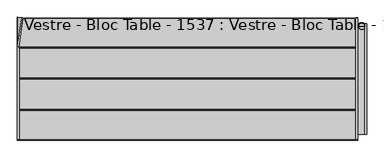
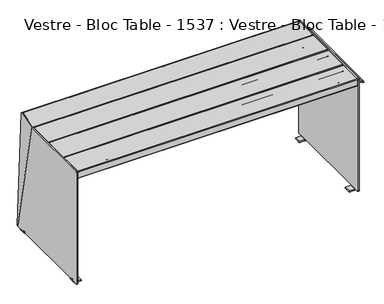
"""IFC4 building model written with IfcOpenShell, lengths in millimetres: furniture geometry, Vestre - Bloc Table - 1537 : Vestre - Bloc Table - 1537."""

from ifc_helpers import new_model, si_unit, point, frame, frame_2d, origin, place, context, project, spatial, polyline, circle_curve, ellipse_curve, trimmed, segment, composite_curve, outline, extrude, source, transform, mapped, element, save
from ifc_brep_helpers import plane_surface, cylinder_surface, revolved_surface, advanced_brep


def vestre_bloc_table_1537_vestre_bloc_table_1537_56d10f07(model_context):
    return source(origin(), model_context, "Body", "SolidModel", [
        extrude(outline(polyline([(20.5020914, -284.4050005), (-20.5020914, -284.4050005), (-20.5020914, 284.4050005), (20.5020914, 284.4050005), (20.5020914, -284.4050005)])), frame((0.0, 0.0, 689.0027779), z_axis=(0.0, 0.0, 1.0), x_axis=(1.0, 0.0, 0.0)), (0.0, 0.0, 1.0), 6.0),
        advanced_brep(
        [(914.6216008, 284.4050005, 682.0027779), (914.6216008, 284.4050005, 687.0027779), (914.6216008, -284.4050005, 687.0027779), (914.6216008, -284.4050005, 682.0027779), (914.6216008, -221.626226, 664.5853587), (914.6216008, -218.262862, 664.0027779), (914.6216008, 218.272863, 664.0027779), (914.6216008, 221.636227, 664.5853587), (908.6216008, 284.4050005, 682.0027779), (908.6216008, 221.636227, 664.5853587), (908.6216008, 218.272863, 664.0027779), (908.6216008, -218.262862, 664.0027779), (908.6216008, -221.626226, 664.5853587), (908.6216008, -284.4050005, 682.0027779), (908.6216008, -284.4050005, 687.0027779), (908.6216008, 284.4050005, 687.0027779), (906.6216008, -284.4050005, 695.0027779), (868.6216008, -284.4050005, 695.0027779), (868.6216008, -284.4050005, 689.0027779), (906.6216008, -284.4050005, 689.0027779), (906.6216008, 284.4050005, 689.0027779), (868.6216008, 284.4050005, 689.0027779), (868.6216008, 284.4050005, 695.0027779), (906.6216008, 284.4050005, 695.0027779), (860.7200941, -311.048826, 9.9972221), (860.7200941, -315.0, 13.9483962), (860.7200941, -315.0, 735.9759972), (860.7200941, -310.9759972, 740.0), (860.7200941, 311.0116049, 740.0), (860.7200941, 314.9999885, 736.0143057), (860.7200941, 315.4860483, 15.4039898), (860.7200941, 311.3305667, 9.9972221), (860.7200941, 285.0, 9.9972221), (860.7200941, 245.0, 9.9972221), (860.7200941, -245.0, 9.9972221), (860.7200941, -285.0, 9.9972221), (868.6216008, 311.3305667, 9.9972221), (868.6216008, 315.4860483, 15.4039898), (868.6216008, 314.9999885, 736.0143057), (868.6216008, 311.0116049, 740.0), (868.6216008, -310.9759972, 740.0), (868.6216008, -315.0, 735.9759972), (868.6216008, -315.0, 13.9483962), (868.6216008, -311.048826, 9.9972221), (868.6216008, -285.0, 9.9972221), (868.6216008, -245.0, 9.9972221), (868.6216008, 245.0, 9.9972221), (868.6216008, 285.0, 9.9972221), (824.181415, 285.0, 0.0), (824.181415, 285.0, 8.0), (858.5, 285.0, 8.0), (858.6243787, 285.0, 0.0), (824.181415, 245.0, 0.0), (858.6243787, 245.0, 0.0), (858.5, 245.0, 8.0), (824.181415, 245.0, 8.0), (824.181415, -285.0, 0.0), (858.6243787, -285.0, 0.0), (858.5, -285.0, 8.0), (824.181415, -285.0, 8.0), (824.181415, -245.0, 0.0), (824.181415, -245.0, 8.0), (858.5, -245.0, 8.0), (858.6243787, -245.0, 0.0)],
        [
            (0, 1),
            (1, 2),
            (2, 3),
            (3, 4),
            (4, 5, circle_curve(frame((914.6216008, -218.262862, 674.0027779), z_axis=(1.0, 0.0, 0.0), x_axis=(0.0, 1.0, 0.0)), 10.0)),
            (5, 6),
            (6, 7, circle_curve(frame((914.6216008, 218.272863, 674.0027779), z_axis=(1.0, 0.0, 0.0), x_axis=(0.0, 1.0, 0.0)), 10.0)),
            (7, 0),
            (8, 9),
            (9, 10, circle_curve(frame((908.6216008, 218.272863, 674.0027779), z_axis=(-1.0, 0.0, 0.0), x_axis=(0.0, 1.0, 0.0)), 10.0)),
            (10, 11),
            (11, 12, circle_curve(frame((908.6216008, -218.262862, 674.0027779), z_axis=(-1.0, 0.0, 0.0), x_axis=(0.0, 1.0, 0.0)), 10.0)),
            (12, 13),
            (13, 14),
            (14, 15),
            (15, 8),
            (7, 9),
            (8, 0),
            (6, 10),
            (5, 11),
            (4, 12),
            (3, 13),
            (2, 16, circle_curve(frame((906.6216008, -284.4050005, 687.0027779), z_axis=(0.0, -1.0, 0.0), x_axis=(1.0, 0.0, 0.0)), 8.0)),
            (16, 17),
            (17, 18),
            (18, 19),
            (19, 14, circle_curve(frame((906.6216008, -284.4050005, 687.0027779), z_axis=(0.0, 1.0, 0.0), x_axis=(1.0, 0.0, 0.0)), 2.0)),
            (15, 20, circle_curve(frame((906.6216008, 284.4050005, 687.0027779), z_axis=(0.0, -1.0, 0.0), x_axis=(1.0, 0.0, 0.0)), 2.0)),
            (20, 21),
            (21, 22),
            (22, 23),
            (23, 1, circle_curve(frame((906.6216008, 284.4050005, 687.0027779), z_axis=(0.0, 1.0, 0.0), x_axis=(1.0, 0.0, 0.0)), 8.0)),
            (19, 20),
            (23, 16),
            (22, 17),
            (18, 21),
            (24, 25, circle_curve(frame((860.7200941, -311.048826, 13.9483962), z_axis=(-1.0, 0.0, 0.0), x_axis=(0.0, -1.0, 0.0)), 3.951174)),
            (25, 26),
            (26, 27, circle_curve(frame((860.7200941, -310.9759972, 735.9759972), z_axis=(-1.0, 0.0, 0.0), x_axis=(0.0, -1.0, 0.0)), 4.0240028)),
            (27, 28),
            (28, 29, circle_curve(frame((860.7200941, 311.0116049, 736.0116155), z_axis=(-1.0, 0.0, 0.0), x_axis=(0.0, -1.0, 0.0)), 3.9883845)),
            (29, 30),
            (30, 31, circle_curve(frame((860.7200941, 309.8957951, 15.4002191), z_axis=(-1.0, 0.0, 0.0), x_axis=(0.0, -1.0, 0.0)), 5.5902545)),
            (31, 32),
            (32, 33),
            (33, 34),
            (34, 35),
            (35, 24),
            (36, 37, circle_curve(frame((868.6216008, 309.8957951, 15.4002191), z_axis=(1.0, 0.0, 0.0), x_axis=(0.0, -1.0, 0.0)), 5.5902545)),
            (37, 38),
            (38, 39, circle_curve(frame((868.6216008, 311.0116049, 736.0116155), z_axis=(1.0, 0.0, 0.0), x_axis=(0.0, -1.0, 0.0)), 3.9883845)),
            (39, 40),
            (40, 41, circle_curve(frame((868.6216008, -310.9759972, 735.9759972), z_axis=(1.0, 0.0, 0.0), x_axis=(0.0, -1.0, 0.0)), 4.0240028)),
            (41, 42),
            (42, 43, circle_curve(frame((868.6216008, -311.048826, 13.9483962), z_axis=(1.0, 0.0, 0.0), x_axis=(0.0, -1.0, 0.0)), 3.951174)),
            (43, 44),
            (44, 45),
            (45, 46),
            (46, 47),
            (47, 36),
            (24, 43),
            (42, 25),
            (41, 26),
            (40, 27),
            (39, 28),
            (38, 29),
            (37, 30),
            (36, 31),
            (35, 44),
            (47, 32),
            (33, 46),
            (45, 34),
            (48, 49),
            (49, 50),
            (50, 32, circle_curve(frame((858.5, 285.0, 10.2325293), z_axis=(0.0, -1.0, 0.0), x_axis=(-1.0, 0.0, 0.0)), 2.2325293)),
            (47, 51, circle_curve(frame((858.6243787, 285.0, 9.9972221), z_axis=(0.0, 1.0, 0.0), x_axis=(-1.0, 0.0, 0.0)), 9.9972221)),
            (51, 48),
            (52, 53),
            (53, 46, circle_curve(frame((858.6243787, 245.0, 9.9972221), z_axis=(0.0, -1.0, 0.0), x_axis=(-1.0, 0.0, 0.0)), 9.9972221)),
            (33, 54, circle_curve(frame((858.5, 245.0, 10.2325293), z_axis=(0.0, 1.0, 0.0), x_axis=(-1.0, 0.0, 0.0)), 2.2325293)),
            (54, 55),
            (55, 52),
            (48, 52),
            (55, 49),
            (54, 50),
            (51, 53),
            (56, 57),
            (57, 44, circle_curve(frame((858.6243787, -285.0, 9.9972221), z_axis=(0.0, -1.0, 0.0), x_axis=(-1.0, 0.0, 0.0)), 9.9972221)),
            (35, 58, circle_curve(frame((858.5, -285.0, 10.2325293), z_axis=(0.0, 1.0, 0.0), x_axis=(-1.0, 0.0, 0.0)), 2.2325293)),
            (58, 59),
            (59, 56),
            (60, 61),
            (61, 62),
            (62, 34, circle_curve(frame((858.5, -245.0, 10.2325293), z_axis=(0.0, -1.0, 0.0), x_axis=(-1.0, 0.0, 0.0)), 2.2325293)),
            (45, 63, circle_curve(frame((858.6243787, -245.0, 9.9972221), z_axis=(0.0, 1.0, 0.0), x_axis=(-1.0, 0.0, 0.0)), 9.9972221)),
            (63, 60),
            (59, 61),
            (60, 56),
            (58, 62),
            (63, 57),
        ],
        [
            plane_surface(frame((914.6216008, 284.4050005, 687.0027779), z_axis=(1.0, 0.0, 0.0), x_axis=(0.0, 0.0, 1.0))),
            plane_surface(frame((908.6216008, 284.4050005, 687.0027779), z_axis=(-1.0, 0.0, 0.0), x_axis=(0.0, 0.0, -1.0))),
            plane_surface(frame((914.6216008, 221.636227, 664.5853587), z_axis=(0.0, 0.26738231551867175, -0.9635905236914036), x_axis=(-1.0, 0.0, 0.0))),
            cylinder_surface(frame((908.6216008, 218.272863, 674.0027779), z_axis=(1.0, 0.0, 0.0), x_axis=(0.0, 1.0, 0.0)), 10.0),
            plane_surface(frame((914.6216008, -218.262862, 664.0027779), z_axis=(0.0, 0.0, -1.0), x_axis=(-1.0, 0.0, 0.0))),
            cylinder_surface(frame((908.6216008, -218.262862, 674.0027779), z_axis=(1.0, 0.0, 0.0), x_axis=(0.0, 1.0, 0.0)), 10.0),
            plane_surface(frame((914.6216008, -284.4050005, 682.0027779), z_axis=(0.0, -0.2673427646759247, -0.9636014975992063), x_axis=(-1.0, 0.0, 0.0))),
            plane_surface(frame((914.6216008, -284.4050005, 687.0027779), z_axis=(0.0, -1.0, 0.0), x_axis=(-1.0, 0.0, 0.0))),
            plane_surface(frame((914.6216008, 284.4050005, 682.0027779), z_axis=(0.0, 1.0, 0.0), x_axis=(-1.0, 0.0, 0.0))),
            revolved_surface(polyline([(908.6216008, -284.4050005, 687.0027779), (908.6216008, 284.4050005, 687.0027779)]), (906.6216008, -284.4050005, 687.0027779), (0.0, -1.0, 0.0)),
            cylinder_surface(frame((906.6216008, -284.4050005, 687.0027779), z_axis=(0.0, 1.0, 0.0), x_axis=(1.0, 0.0, 0.0)), 8.0),
            plane_surface(frame((868.6216008, 284.4050005, 695.0027779), z_axis=(0.0, 0.0, 1.0), x_axis=(0.0, -1.0, 0.0))),
            plane_surface(frame((906.6216008, 284.4050005, 689.0027779), z_axis=(0.0, 0.0, -1.0), x_axis=(0.0, -1.0, 0.0))),
            plane_surface(frame((860.7200941, -315.0, 13.9483962), z_axis=(-1.0, 0.0, 0.0), x_axis=(0.0, 0.0, 1.0))),
            plane_surface(frame((868.6216008, -315.0, 13.9483962), z_axis=(1.0, 0.0, 0.0), x_axis=(0.0, 0.0, -1.0))),
            cylinder_surface(frame((868.6216008, -311.048826, 13.9483962), z_axis=(-1.0, 0.0, 0.0), x_axis=(0.0, -1.0, 0.0)), 3.951174),
            plane_surface(frame((860.7200941, -315.0, 13.9483962), z_axis=(0.0, -1.0, 0.0), x_axis=(1.0, 0.0, 0.0))),
            cylinder_surface(frame((868.6216008, -310.9759972, 735.9759972), z_axis=(-1.0, 0.0, 0.0), x_axis=(0.0, -1.0, 0.0)), 4.0240028),
            plane_surface(frame((860.7200941, -310.9759972, 740.0), z_axis=(0.0, 0.0, 1.0), x_axis=(1.0, 0.0, 0.0))),
            cylinder_surface(frame((868.6216008, 311.0116049, 736.0116155), z_axis=(-1.0, 0.0, 0.0), x_axis=(0.0, -1.0, 0.0)), 3.9883845),
            plane_surface(frame((860.7200941, 314.9999885, 736.0143057), z_axis=(0.0, 0.9999997725173004, 0.0006745111915716679), x_axis=(1.0, 0.0, 0.0))),
            cylinder_surface(frame((868.6216008, 309.8957951, 15.4002191), z_axis=(-1.0, 0.0, 0.0), x_axis=(0.0, -1.0, 0.0)), 5.5902545),
            plane_surface(frame((860.7200941, 311.3305667, 9.9972221), z_axis=(0.0, 0.0, -1.0), x_axis=(1.0, 0.0, 0.0))),
            plane_surface(frame((824.181415, 285.0, 0.0), z_axis=(0.0, 1.0, 0.0), x_axis=(0.0, 0.0, 1.0))),
            plane_surface(frame((824.181415, 245.0, 0.0), z_axis=(0.0, -1.0, 0.0), x_axis=(0.0, 0.0, -1.0))),
            plane_surface(frame((824.181415, 285.0, 0.0), z_axis=(-1.0, 0.0, 0.0), x_axis=(0.0, -1.0, 0.0))),
            plane_surface(frame((824.181415, 285.0, 8.0), z_axis=(0.0, 0.0, 1.0), x_axis=(0.0, -1.0, 0.0))),
            plane_surface(frame((858.6243787, 285.0, 0.0), z_axis=(0.0, 0.0, -1.0), x_axis=(0.0, -1.0, 0.0))),
            revolved_surface(polyline([(856.2674707, 245.0, 10.2325293), (856.2674707, 285.0, 10.2325293)]), (858.5, 245.0, 10.2325293), (0.0, -1.0, 0.0)),
            cylinder_surface(frame((858.6243787, 245.0, 9.9972221), z_axis=(0.0, 1.0, 0.0), x_axis=(-1.0, 0.0, 0.0)), 9.9972221),
            plane_surface(frame((858.5, -285.0, 0.0), z_axis=(0.0, -1.0, 0.0), x_axis=(1.0, 0.0, 0.0))),
            plane_surface(frame((858.5, -245.0, 0.0), z_axis=(0.0, 1.0, 0.0), x_axis=(-1.0, 0.0, 0.0))),
            plane_surface(frame((824.181415, -285.0, 8.0), z_axis=(-1.0, 0.0, 0.0), x_axis=(0.0, 1.0, 0.0))),
            plane_surface(frame((858.5, -285.0, 8.0), z_axis=(0.0, 0.0, 1.0), x_axis=(0.0, 1.0, 0.0))),
            plane_surface(frame((824.181415, -285.0, 0.0), z_axis=(0.0, 0.0, -1.0), x_axis=(0.0, 1.0, 0.0))),
            revolved_surface(polyline([(856.2674707, -245.0, 10.2325293), (856.2674707, -285.0, 10.2325293)]), (858.5, -245.0, 10.2325293), (0.0, 1.0, 0.0)),
            cylinder_surface(frame((858.6243787, -245.0, 9.9972221), z_axis=(0.0, -1.0, 0.0), x_axis=(-1.0, 0.0, 0.0)), 9.9972221),
        ],
        [
            (0, [[1, 2, 3, 4, 5, 6, 7, 8]]),
            (1, [[9, 10, 11, 12, 13, 14, 15, 16]]),
            (2, [[-8, 17, -9, 18]]),
            (3, [[-7, 19, -10, -17]]),
            (4, [[-6, 20, -11, -19]]),
            (5, [[-5, 21, -12, -20]]),
            (6, [[-4, 22, -13, -21]]),
            (7, [[-3, 23, 24, 25, 26, 27, -14, -22]]),
            (8, [[-1, -18, -16, 28, 29, 30, 31, 32]]),
            (9, [[-28, -15, -27, 33]]),
            (10, [[-32, 34, -23, -2]]),
            (11, [[-31, 35, -24, -34]]),
            (12, [[-29, -33, -26, 36]]),
            (13, [[37, 38, 39, 40, 41, 42, 43, 44, 45, 46, 47, 48]]),
            (14, [[49, 50, 51, 52, 53, 54, 55, 56, 57, 58, 59, 60], [-25, -35, -30, -36]]),
            (15, [[-37, 61, -55, 62]]),
            (16, [[-38, -62, -54, 63]]),
            (17, [[-39, -63, -53, 64]]),
            (18, [[-40, -64, -52, 65]]),
            (19, [[-41, -65, -51, 66]]),
            (20, [[-42, -66, -50, 67]]),
            (21, [[-43, -67, -49, 68]]),
            (22, [[-61, -48, 69, -56]]),
            (22, [[-68, -60, 70, -44]]),
            (22, [[71, -58, 72, -46]]),
            (23, [[73, 74, 75, -70, 76, 77]]),
            (24, [[78, 79, -71, 80, 81, 82]]),
            (25, [[-73, 83, -82, 84]]),
            (26, [[-74, -84, -81, 85]]),
            (27, [[-77, 86, -78, -83]]),
            (28, [[-75, -85, -80, -45]]),
            (29, [[-76, -59, -79, -86]]),
            (30, [[87, 88, -69, 89, 90, 91]]),
            (31, [[92, 93, 94, -72, 95, 96]]),
            (32, [[-91, 97, -92, 98]]),
            (33, [[-90, 99, -93, -97]]),
            (34, [[-87, -98, -96, 100]]),
            (35, [[-89, -47, -94, -99]]),
            (36, [[-88, -100, -95, -57]]),
        ],
    ),
        advanced_brep(
        [(814.0, 284.4050005, 682.0027779), (814.0, 221.636227, 664.5853587), (814.0, 218.272863, 664.0027779), (814.0, -218.262862, 664.0027779), (814.0, -221.626226, 664.5853587), (814.0, -284.4050005, 682.0027779), (814.0, -284.4050005, 687.0027779), (814.0, 284.4050005, 687.0027779), (820.0, 284.4050005, 682.0027779), (820.0, 284.4050005, 687.0027779), (820.0, -284.4050005, 687.0027779), (820.0, -284.4050005, 682.0027779), (820.0, -221.626226, 664.5853587), (820.0, -218.262862, 664.0027779), (820.0, 218.272863, 664.0027779), (820.0, 221.636227, 664.5853587), (822.0, -284.4050005, 689.0027779), (860.0, -284.4050005, 689.0027779), (860.0, -284.4050005, 695.0027779), (822.0, -284.4050005, 695.0027779), (822.0, 284.4050005, 695.0027779), (860.0, 284.4050005, 695.0027779), (860.0, 284.4050005, 689.0027779), (822.0, 284.4050005, 689.0027779)],
        [
            (0, 1),
            (1, 2, circle_curve(frame((814.0, 218.272863, 674.0027779), z_axis=(-1.0, 0.0, 0.0), x_axis=(0.0, 1.0, 0.0)), 10.0)),
            (2, 3),
            (3, 4, circle_curve(frame((814.0, -218.262862, 674.0027779), z_axis=(-1.0, 0.0, 0.0), x_axis=(0.0, 1.0, 0.0)), 10.0)),
            (4, 5),
            (5, 6),
            (6, 7),
            (7, 0),
            (8, 9),
            (9, 10),
            (10, 11),
            (11, 12),
            (12, 13, circle_curve(frame((820.0, -218.262862, 674.0027779), z_axis=(1.0, 0.0, 0.0), x_axis=(0.0, 1.0, 0.0)), 10.0)),
            (13, 14),
            (14, 15, circle_curve(frame((820.0, 218.272863, 674.0027779), z_axis=(1.0, 0.0, 0.0), x_axis=(0.0, 1.0, 0.0)), 10.0)),
            (15, 8),
            (0, 8),
            (15, 1),
            (14, 2),
            (13, 3),
            (12, 4),
            (11, 5),
            (10, 16, circle_curve(frame((822.0, -284.4050005, 687.0027779), z_axis=(0.0, 1.0, 0.0), x_axis=(-1.0, 0.0, 0.0)), 2.0)),
            (16, 17),
            (17, 18),
            (18, 19),
            (19, 6, circle_curve(frame((822.0, -284.4050005, 687.0027779), z_axis=(0.0, -1.0, 0.0), x_axis=(-1.0, 0.0, 0.0)), 8.0)),
            (7, 20, circle_curve(frame((822.0, 284.4050005, 687.0027779), z_axis=(0.0, 1.0, 0.0), x_axis=(-1.0, 0.0, 0.0)), 8.0)),
            (20, 21),
            (21, 22),
            (22, 23),
            (23, 9, circle_curve(frame((822.0, 284.4050005, 687.0027779), z_axis=(0.0, -1.0, 0.0), x_axis=(-1.0, 0.0, 0.0)), 2.0)),
            (23, 16),
            (19, 20),
            (18, 21),
            (17, 22),
        ],
        [
            plane_surface(frame((814.0, 221.636227, 664.5853587), z_axis=(-1.0, 0.0, 0.0), x_axis=(0.0, -0.9635905236914036, -0.26738231551867175))),
            plane_surface(frame((820.0, 221.636227, 664.5853587), z_axis=(1.0, 0.0, 0.0), x_axis=(0.0, 0.9635905236914036, 0.26738231551867175))),
            plane_surface(frame((814.0, 284.4050005, 682.0027779), z_axis=(0.0, 0.26738231551867175, -0.9635905236914036), x_axis=(1.0, 0.0, 0.0))),
            cylinder_surface(frame((820.0, 218.272863, 674.0027779), z_axis=(-1.0, 0.0, 0.0), x_axis=(0.0, 1.0, 0.0)), 10.0),
            plane_surface(frame((814.0, 218.272863, 664.0027779), z_axis=(0.0, 0.0, -1.0), x_axis=(1.0, 0.0, 0.0))),
            cylinder_surface(frame((820.0, -218.262862, 674.0027779), z_axis=(-1.0, 0.0, 0.0), x_axis=(0.0, 1.0, 0.0)), 10.0),
            plane_surface(frame((814.0, -221.626226, 664.5853587), z_axis=(0.0, -0.2673427646759247, -0.9636014975992063), x_axis=(1.0, 0.0, 0.0))),
            plane_surface(frame((814.0, -284.4050005, 682.0027779), z_axis=(0.0, -1.0, 0.0), x_axis=(1.0, 0.0, 0.0))),
            plane_surface(frame((814.0, 284.4050005, 687.0027779), z_axis=(0.0, 1.0, 0.0), x_axis=(1.0, 0.0, 0.0))),
            revolved_surface(polyline([(820.0, -284.4050005, 687.0027779), (820.0, 284.4050005, 687.0027779)]), (822.0, -284.4050005, 687.0027779), (0.0, -1.0, 0.0)),
            cylinder_surface(frame((822.0, -284.4050005, 687.0027779), z_axis=(0.0, 1.0, 0.0), x_axis=(-1.0, 0.0, 0.0)), 8.0),
            plane_surface(frame((822.0, 284.4050005, 695.0027779), z_axis=(0.0, 0.0, 1.0), x_axis=(0.0, -1.0, 0.0))),
            plane_surface(frame((860.0, 284.4050005, 695.0027779), z_axis=(1.0, 0.0, 0.0), x_axis=(0.0, -1.0, 0.0))),
            plane_surface(frame((860.0, 284.4050005, 689.0027779), z_axis=(0.0, 0.0, -1.0), x_axis=(0.0, -1.0, 0.0))),
        ],
        [
            (0, [[1, 2, 3, 4, 5, 6, 7, 8]]),
            (1, [[9, 10, 11, 12, 13, 14, 15, 16]]),
            (2, [[-1, 17, -16, 18]]),
            (3, [[-2, -18, -15, 19]]),
            (4, [[-3, -19, -14, 20]]),
            (5, [[-4, -20, -13, 21]]),
            (6, [[-5, -21, -12, 22]]),
            (7, [[-6, -22, -11, 23, 24, 25, 26, 27]]),
            (8, [[-8, 28, 29, 30, 31, 32, -9, -17]]),
            (9, [[-32, 33, -23, -10]]),
            (10, [[-28, -7, -27, 34]]),
            (11, [[-29, -34, -26, 35]]),
            (12, [[-30, -35, -25, 36]]),
            (13, [[-31, -36, -24, -33]]),
        ],
    ),
        advanced_brep(
        [(806.0, 284.4050005, 689.0027779), (768.0, 284.4050005, 689.0027779), (768.0, 284.4050005, 695.0027779), (806.0, 284.4050005, 695.0027779), (814.0, 284.4050005, 687.0027779), (814.0, 284.4050005, 682.0027779), (808.0, 284.4050005, 682.0027779), (808.0, 284.4050005, 687.0027779), (806.0, -284.4050005, 689.0027779), (808.0, -284.4050005, 687.0027779), (808.0, -284.4050005, 682.0027779), (814.0, -284.4050005, 682.0027779), (814.0, -284.4050005, 687.0027779), (806.0, -284.4050005, 695.0027779), (768.0, -284.4050005, 695.0027779), (768.0, -284.4050005, 689.0027779), (814.0, -221.626226, 664.5853587), (814.0, -218.262862, 664.0027779), (814.0, 218.272863, 664.0027779), (814.0, 221.636227, 664.5853587), (808.0, 221.636227, 664.5853587), (808.0, 218.272863, 664.0027779), (808.0, -218.262862, 664.0027779), (808.0, -221.626226, 664.5853587)],
        [
            (0, 1),
            (1, 2),
            (2, 3),
            (3, 4, circle_curve(frame((806.0, 284.4050005, 687.0027779), z_axis=(0.0, 1.0, 0.0), x_axis=(1.0, 0.0, 0.0)), 8.0)),
            (4, 5),
            (5, 6),
            (6, 7),
            (7, 0, circle_curve(frame((806.0, 284.4050005, 687.0027779), z_axis=(0.0, -1.0, 0.0), x_axis=(1.0, 0.0, 0.0)), 2.0)),
            (8, 9, circle_curve(frame((806.0, -284.4050005, 687.0027779), z_axis=(0.0, 1.0, 0.0), x_axis=(1.0, 0.0, 0.0)), 2.0)),
            (9, 10),
            (10, 11),
            (11, 12),
            (12, 13, circle_curve(frame((806.0, -284.4050005, 687.0027779), z_axis=(0.0, -1.0, 0.0), x_axis=(1.0, 0.0, 0.0)), 8.0)),
            (13, 14),
            (14, 15),
            (15, 8),
            (7, 9),
            (8, 0),
            (3, 13),
            (12, 4),
            (2, 14),
            (1, 15),
            (11, 16),
            (16, 17, circle_curve(frame((814.0, -218.262862, 674.0027779), z_axis=(1.0, 0.0, 0.0), x_axis=(0.0, 1.0, 0.0)), 10.0)),
            (17, 18),
            (18, 19, circle_curve(frame((814.0, 218.272863, 674.0027779), z_axis=(1.0, 0.0, 0.0), x_axis=(0.0, 1.0, 0.0)), 10.0)),
            (19, 5),
            (6, 20),
            (20, 21, circle_curve(frame((808.0, 218.272863, 674.0027779), z_axis=(-1.0, 0.0, 0.0), x_axis=(0.0, 1.0, 0.0)), 10.0)),
            (21, 22),
            (22, 23, circle_curve(frame((808.0, -218.262862, 674.0027779), z_axis=(-1.0, 0.0, 0.0), x_axis=(0.0, 1.0, 0.0)), 10.0)),
            (23, 10),
            (19, 20),
            (18, 21),
            (17, 22),
            (16, 23),
        ],
        [
            plane_surface(frame((768.0, 284.4050005, 689.0027779), z_axis=(0.0, 1.0, 0.0), x_axis=(-1.0, 0.0, 0.0))),
            plane_surface(frame((768.0, -284.4050005, 689.0027779), z_axis=(0.0, -1.0, 0.0), x_axis=(1.0, 0.0, 0.0))),
            revolved_surface(polyline([(808.0, -284.4050005, 687.0027779), (808.0, 284.4050005, 687.0027779)]), (806.0, -284.4050005, 687.0027779), (0.0, -1.0, 0.0)),
            cylinder_surface(frame((806.0, -284.4050005, 687.0027779), z_axis=(0.0, 1.0, 0.0), x_axis=(1.0, 0.0, 0.0)), 8.0),
            plane_surface(frame((768.0, 284.4050005, 695.0027779), z_axis=(0.0, 0.0, 1.0), x_axis=(0.0, -1.0, 0.0))),
            plane_surface(frame((768.0, 284.4050005, 689.0027779), z_axis=(-1.0, 0.0, 0.0), x_axis=(0.0, -1.0, 0.0))),
            plane_surface(frame((806.0, 284.4050005, 689.0027779), z_axis=(0.0, 0.0, -1.0), x_axis=(0.0, -1.0, 0.0))),
            plane_surface(frame((814.0, 284.4050005, 687.0027779), z_axis=(1.0, 0.0, 0.0), x_axis=(0.0, 0.0, 1.0))),
            plane_surface(frame((808.0, 284.4050005, 687.0027779), z_axis=(-1.0, 0.0, 0.0), x_axis=(0.0, 0.0, -1.0))),
            plane_surface(frame((814.0, 221.636227, 664.5853587), z_axis=(0.0, 0.26738231551867175, -0.9635905236914036), x_axis=(-1.0, 0.0, 0.0))),
            cylinder_surface(frame((808.0, 218.272863, 674.0027779), z_axis=(1.0, 0.0, 0.0), x_axis=(0.0, 1.0, 0.0)), 10.0),
            plane_surface(frame((814.0, -218.262862, 664.0027779), z_axis=(0.0, 0.0, -1.0), x_axis=(-1.0, 0.0, 0.0))),
            cylinder_surface(frame((808.0, -218.262862, 674.0027779), z_axis=(1.0, 0.0, 0.0), x_axis=(0.0, 1.0, 0.0)), 10.0),
            plane_surface(frame((814.0, -284.4050005, 682.0027779), z_axis=(0.0, -0.2673427646759247, -0.9636014975992063), x_axis=(-1.0, 0.0, 0.0))),
        ],
        [
            (0, [[1, 2, 3, 4, 5, 6, 7, 8]]),
            (1, [[9, 10, 11, 12, 13, 14, 15, 16]]),
            (2, [[-8, 17, -9, 18]]),
            (3, [[-4, 19, -13, 20]]),
            (4, [[-3, 21, -14, -19]]),
            (5, [[-2, 22, -15, -21]]),
            (6, [[-1, -18, -16, -22]]),
            (7, [[-5, -20, -12, 23, 24, 25, 26, 27]]),
            (8, [[28, 29, 30, 31, 32, -10, -17, -7]]),
            (9, [[-27, 33, -28, -6]]),
            (10, [[-26, 34, -29, -33]]),
            (11, [[-25, 35, -30, -34]]),
            (12, [[-24, 36, -31, -35]]),
            (13, [[-23, -11, -32, -36]]),
        ],
    ),
        advanced_brep(
        [(-814.0, 284.4050005, 682.0027779), (-814.0, 221.636227, 664.5853587), (-814.0, 218.272863, 664.0027779), (-814.0, -218.262862, 664.0027779), (-814.0, -221.626226, 664.5853587), (-814.0, -284.4050005, 682.0027779), (-814.0, -284.4050005, 687.0027779), (-814.0, 284.4050005, 687.0027779), (-808.0, 284.4050005, 682.0027779), (-808.0, 284.4050005, 687.0027779), (-808.0, -284.4050005, 687.0027779), (-808.0, -284.4050005, 682.0027779), (-808.0, -221.626226, 664.5853587), (-808.0, -218.262862, 664.0027779), (-808.0, 218.272863, 664.0027779), (-808.0, 221.636227, 664.5853587), (-806.0, -284.4050005, 689.0027779), (-768.0, -284.4050005, 689.0027779), (-768.0, -284.4050005, 695.0027779), (-806.0, -284.4050005, 695.0027779), (-806.0, 284.4050005, 695.0027779), (-768.0, 284.4050005, 695.0027779), (-768.0, 284.4050005, 689.0027779), (-806.0, 284.4050005, 689.0027779)],
        [
            (0, 1),
            (1, 2, circle_curve(frame((-814.0, 218.272863, 674.0027779), z_axis=(-1.0, 0.0, 0.0), x_axis=(0.0, 1.0, 0.0)), 10.0)),
            (2, 3),
            (3, 4, circle_curve(frame((-814.0, -218.262862, 674.0027779), z_axis=(-1.0, 0.0, 0.0), x_axis=(0.0, 1.0, 0.0)), 10.0)),
            (4, 5),
            (5, 6),
            (6, 7),
            (7, 0),
            (8, 9),
            (9, 10),
            (10, 11),
            (11, 12),
            (12, 13, circle_curve(frame((-808.0, -218.262862, 674.0027779), z_axis=(1.0, 0.0, 0.0), x_axis=(0.0, 1.0, 0.0)), 10.0)),
            (13, 14),
            (14, 15, circle_curve(frame((-808.0, 218.272863, 674.0027779), z_axis=(1.0, 0.0, 0.0), x_axis=(0.0, 1.0, 0.0)), 10.0)),
            (15, 8),
            (0, 8),
            (15, 1),
            (14, 2),
            (13, 3),
            (12, 4),
            (11, 5),
            (10, 16, circle_curve(frame((-806.0, -284.4050005, 687.0027779), z_axis=(0.0, 1.0, 0.0), x_axis=(-1.0, 0.0, 0.0)), 2.0)),
            (16, 17),
            (17, 18),
            (18, 19),
            (19, 6, circle_curve(frame((-806.0, -284.4050005, 687.0027779), z_axis=(0.0, -1.0, 0.0), x_axis=(-1.0, 0.0, 0.0)), 8.0)),
            (7, 20, circle_curve(frame((-806.0, 284.4050005, 687.0027779), z_axis=(0.0, 1.0, 0.0), x_axis=(-1.0, 0.0, 0.0)), 8.0)),
            (20, 21),
            (21, 22),
            (22, 23),
            (23, 9, circle_curve(frame((-806.0, 284.4050005, 687.0027779), z_axis=(0.0, -1.0, 0.0), x_axis=(-1.0, 0.0, 0.0)), 2.0)),
            (23, 16),
            (19, 20),
            (18, 21),
            (17, 22),
        ],
        [
            plane_surface(frame((-814.0, 221.636227, 664.5853587), z_axis=(-1.0, 0.0, 0.0), x_axis=(0.0, -0.9635905236914036, -0.26738231551867175))),
            plane_surface(frame((-808.0, 221.636227, 664.5853587), z_axis=(1.0, 0.0, 0.0), x_axis=(0.0, 0.9635905236914036, 0.26738231551867175))),
            plane_surface(frame((-814.0, 284.4050005, 682.0027779), z_axis=(0.0, 0.26738231551867175, -0.9635905236914036), x_axis=(1.0, 0.0, 0.0))),
            cylinder_surface(frame((-808.0, 218.272863, 674.0027779), z_axis=(-1.0, 0.0, 0.0), x_axis=(0.0, 1.0, 0.0)), 10.0),
            plane_surface(frame((-814.0, 218.272863, 664.0027779), z_axis=(0.0, 0.0, -1.0), x_axis=(1.0, 0.0, 0.0))),
            cylinder_surface(frame((-808.0, -218.262862, 674.0027779), z_axis=(-1.0, 0.0, 0.0), x_axis=(0.0, 1.0, 0.0)), 10.0),
            plane_surface(frame((-814.0, -221.626226, 664.5853587), z_axis=(0.0, -0.2673427646759247, -0.9636014975992063), x_axis=(1.0, 0.0, 0.0))),
            plane_surface(frame((-814.0, -284.4050005, 682.0027779), z_axis=(0.0, -1.0, 0.0), x_axis=(1.0, 0.0, 0.0))),
            plane_surface(frame((-814.0, 284.4050005, 687.0027779), z_axis=(0.0, 1.0, 0.0), x_axis=(1.0, 0.0, 0.0))),
            revolved_surface(polyline([(-808.0, -284.4050005, 687.0027779), (-808.0, 284.4050005, 687.0027779)]), (-806.0, -284.4050005, 687.0027779), (0.0, -1.0, 0.0)),
            cylinder_surface(frame((-806.0, -284.4050005, 687.0027779), z_axis=(0.0, 1.0, 0.0), x_axis=(-1.0, 0.0, 0.0)), 8.0),
            plane_surface(frame((-806.0, 284.4050005, 695.0027779), z_axis=(0.0, 0.0, 1.0), x_axis=(0.0, -1.0, 0.0))),
            plane_surface(frame((-768.0, 284.4050005, 695.0027779), z_axis=(1.0, 0.0, 0.0), x_axis=(0.0, -1.0, 0.0))),
            plane_surface(frame((-768.0, 284.4050005, 689.0027779), z_axis=(0.0, 0.0, -1.0), x_axis=(0.0, -1.0, 0.0))),
        ],
        [
            (0, [[1, 2, 3, 4, 5, 6, 7, 8]]),
            (1, [[9, 10, 11, 12, 13, 14, 15, 16]]),
            (2, [[-1, 17, -16, 18]]),
            (3, [[-2, -18, -15, 19]]),
            (4, [[-3, -19, -14, 20]]),
            (5, [[-4, -20, -13, 21]]),
            (6, [[-5, -21, -12, 22]]),
            (7, [[-6, -22, -11, 23, 24, 25, 26, 27]]),
            (8, [[-8, 28, 29, 30, 31, 32, -9, -17]]),
            (9, [[-32, 33, -23, -10]]),
            (10, [[-28, -7, -27, 34]]),
            (11, [[-29, -34, -26, 35]]),
            (12, [[-30, -35, -25, 36]]),
            (13, [[-31, -36, -24, -33]]),
        ],
    ),
        advanced_brep(
        [(-824.181415, -285.0, 0.0), (-824.181415, -285.0, 8.0), (-858.5, -285.0, 8.0), (-860.5, -285.0, 10.0), (-868.5, -285.0, 10.0), (-858.5, -285.0, 0.0), (-824.181415, -245.0, 0.0), (-858.5, -245.0, 0.0), (-868.5, -245.0, 10.0), (-860.5, -245.0, 10.0), (-858.5, -245.0, 8.0), (-824.181415, -245.0, 8.0), (-868.5, 165.0, 740.0), (-868.5, 314.6452505, 11.7264477), (-868.5, 311.3305667, 10.0), (-868.5, 285.0, 10.0), (-868.5, 245.0, 10.0), (-868.5, -311.0, 10.0), (-868.5, -315.0, 14.0), (-868.5, -315.0, 736.0), (-868.5, -311.0, 740.0), (-860.5, 165.0, 740.0), (-860.5, -311.0, 740.0), (-860.5, -315.0, 736.0), (-860.5, -315.0, 14.0), (-860.5, -311.0, 10.0), (-860.5, 245.0, 10.0), (-860.5, 285.0, 10.0), (-860.5, 311.3305667, 10.0), (-860.5, 314.6452505, 11.7264477), (-824.181415, 285.0, 0.0), (-858.5, 285.0, 0.0), (-858.5, 285.0, 8.0), (-824.181415, 285.0, 8.0), (-824.181415, 245.0, 0.0), (-824.181415, 245.0, 8.0), (-858.5, 245.0, 8.0), (-858.5, 245.0, 0.0)],
        [
            (0, 1),
            (1, 2),
            (2, 3, circle_curve(frame((-858.5, -285.0, 10.0), z_axis=(0.0, 1.0, 0.0), x_axis=(1.0, 0.0, 0.0)), 2.0)),
            (3, 4),
            (4, 5, circle_curve(frame((-858.5, -285.0, 10.0), z_axis=(0.0, -1.0, 0.0), x_axis=(1.0, 0.0, 0.0)), 10.0)),
            (5, 0),
            (6, 7),
            (7, 8, circle_curve(frame((-858.5, -245.0, 10.0), z_axis=(0.0, 1.0, 0.0), x_axis=(1.0, 0.0, 0.0)), 10.0)),
            (8, 9),
            (9, 10, circle_curve(frame((-858.5, -245.0, 10.0), z_axis=(0.0, -1.0, 0.0), x_axis=(1.0, 0.0, 0.0)), 2.0)),
            (10, 11),
            (11, 6),
            (0, 6),
            (11, 1),
            (10, 2),
            (5, 7),
            (9, 3),
            (4, 8),
            (12, 13),
            (13, 14, circle_curve(frame((-868.5, 311.3305667, 14.0452283), z_axis=(-1.0, 0.0, 0.0), x_axis=(0.0, -1.0, 0.0)), 4.0452283)),
            (14, 15),
            (15, 16),
            (16, 8),
            (4, 17),
            (17, 18, circle_curve(frame((-868.5, -311.0, 14.0), z_axis=(-1.0, 0.0, 0.0), x_axis=(0.0, -1.0, 0.0)), 4.0)),
            (18, 19),
            (19, 20, circle_curve(frame((-868.5, -311.0, 736.0), z_axis=(-1.0, 0.0, 0.0), x_axis=(0.0, -1.0, 0.0)), 4.0)),
            (20, 12),
            (21, 22),
            (22, 23, circle_curve(frame((-860.5, -311.0, 736.0), z_axis=(1.0, 0.0, 0.0), x_axis=(0.0, -1.0, 0.0)), 4.0)),
            (23, 24),
            (24, 25, circle_curve(frame((-860.5, -311.0, 14.0), z_axis=(1.0, 0.0, 0.0), x_axis=(0.0, -1.0, 0.0)), 4.0)),
            (25, 3),
            (9, 26),
            (26, 27),
            (27, 28),
            (28, 29, circle_curve(frame((-860.5, 311.3305667, 14.0452283), z_axis=(1.0, 0.0, 0.0), x_axis=(0.0, -1.0, 0.0)), 4.0452283)),
            (29, 21),
            (12, 21),
            (29, 13),
            (28, 14),
            (16, 26),
            (27, 15),
            (25, 17),
            (24, 18),
            (23, 19),
            (22, 20),
            (30, 31),
            (31, 15, circle_curve(frame((-858.5, 285.0, 10.0), z_axis=(0.0, 1.0, 0.0), x_axis=(1.0, 0.0, 0.0)), 10.0)),
            (27, 32, circle_curve(frame((-858.5, 285.0, 10.0), z_axis=(0.0, -1.0, 0.0), x_axis=(1.0, 0.0, 0.0)), 2.0)),
            (32, 33),
            (33, 30),
            (34, 35),
            (35, 36),
            (36, 26, circle_curve(frame((-858.5, 245.0, 10.0), z_axis=(0.0, 1.0, 0.0), x_axis=(1.0, 0.0, 0.0)), 2.0)),
            (16, 37, circle_curve(frame((-858.5, 245.0, 10.0), z_axis=(0.0, -1.0, 0.0), x_axis=(1.0, 0.0, 0.0)), 10.0)),
            (37, 34),
            (33, 35),
            (34, 30),
            (32, 36),
            (37, 31),
        ],
        [
            plane_surface(frame((-824.181415, -285.0, 0.0), z_axis=(0.0, -1.0, 0.0), x_axis=(0.0, 0.0, 1.0))),
            plane_surface(frame((-824.181415, -245.0, 0.0), z_axis=(0.0, 1.0, 0.0), x_axis=(0.0, 0.0, -1.0))),
            plane_surface(frame((-824.181415, -285.0, 0.0), z_axis=(1.0, 0.0, 0.0), x_axis=(0.0, 1.0, 0.0))),
            plane_surface(frame((-824.181415, -285.0, 8.0), z_axis=(0.0, 0.0, 1.0), x_axis=(0.0, 1.0, 0.0))),
            plane_surface(frame((-858.5, -285.0, 0.0), z_axis=(0.0, 0.0, -1.0), x_axis=(0.0, 1.0, 0.0))),
            revolved_surface(polyline([(-856.5, -245.0, 10.0), (-856.5, -285.0, 10.0)]), (-858.5, -245.0, 10.0), (0.0, 1.0, 0.0)),
            cylinder_surface(frame((-858.5, -245.0, 10.0), z_axis=(0.0, -1.0, 0.0), x_axis=(1.0, 0.0, 0.0)), 10.0),
            plane_surface(frame((-868.5, 314.3240748, 13.2895027), z_axis=(-1.0000000000000002, 0.0, 0.0), x_axis=(0.0, 0.20127429834973676, -0.9795349186342575))),
            plane_surface(frame((-860.5, 314.3240748, 13.2895027), z_axis=(1.0000000000000002, 0.0, 0.0), x_axis=(0.0, -0.20127429834973676, 0.9795349186342575))),
            plane_surface(frame((-868.5, 165.0, 740.0), z_axis=(0.0, 0.9795349186342575, 0.20127429834973676), x_axis=(1.0, 0.0, 0.0))),
            cylinder_surface(frame((-860.5, 311.3305667, 14.0452283), z_axis=(-1.0, 0.0, 0.0), x_axis=(0.0, -1.0, 0.0)), 4.0452283),
            plane_surface(frame((-868.5, 311.3305667, 10.0), z_axis=(0.0, 0.0, -1.0), x_axis=(1.0, 0.0, 0.0))),
            cylinder_surface(frame((-860.5, -311.0, 14.0), z_axis=(-1.0, 0.0, 0.0), x_axis=(0.0, -1.0, 0.0)), 4.0),
            plane_surface(frame((-868.5, -315.0, 14.0), z_axis=(0.0, -1.0, 0.0), x_axis=(1.0, 0.0, 0.0))),
            cylinder_surface(frame((-860.5, -311.0, 736.0), z_axis=(-1.0, 0.0, 0.0), x_axis=(0.0, -1.0, 0.0)), 4.0),
            plane_surface(frame((-868.5, -311.0, 740.0), z_axis=(0.0, 0.0, 1.0), x_axis=(1.0, 0.0, 0.0))),
            plane_surface(frame((-858.5, 285.0, 0.0), z_axis=(0.0, 1.0, 0.0), x_axis=(-1.0, 0.0, 0.0))),
            plane_surface(frame((-858.5, 245.0, 0.0), z_axis=(0.0, -1.0, 0.0), x_axis=(1.0, 0.0, 0.0))),
            plane_surface(frame((-824.181415, 285.0, 8.0), z_axis=(1.0, 0.0, 0.0), x_axis=(0.0, -1.0, 0.0))),
            plane_surface(frame((-858.5, 285.0, 8.0), z_axis=(0.0, 0.0, 1.0), x_axis=(0.0, -1.0, 0.0))),
            plane_surface(frame((-824.181415, 285.0, 0.0), z_axis=(0.0, 0.0, -1.0), x_axis=(0.0, -1.0, 0.0))),
            revolved_surface(polyline([(-856.5, 245.0, 10.0), (-856.5, 285.0, 10.0)]), (-858.5, 245.0, 10.0), (0.0, -1.0, 0.0)),
            cylinder_surface(frame((-858.5, 245.0, 10.0), z_axis=(0.0, 1.0, 0.0), x_axis=(1.0, 0.0, 0.0)), 10.0),
        ],
        [
            (0, [[1, 2, 3, 4, 5, 6]]),
            (1, [[7, 8, 9, 10, 11, 12]]),
            (2, [[-1, 13, -12, 14]]),
            (3, [[-2, -14, -11, 15]]),
            (4, [[-6, 16, -7, -13]]),
            (5, [[-3, -15, -10, 17]]),
            (6, [[-5, 18, -8, -16]]),
            (7, [[19, 20, 21, 22, 23, -18, 24, 25, 26, 27, 28]]),
            (8, [[29, 30, 31, 32, 33, -17, 34, 35, 36, 37, 38]]),
            (9, [[-19, 39, -38, 40]]),
            (10, [[-20, -40, -37, 41]]),
            (11, [[-9, -23, 42, -34]]),
            (11, [[-41, -36, 43, -21]]),
            (11, [[44, -24, -4, -33]]),
            (12, [[-25, -44, -32, 45]]),
            (13, [[-26, -45, -31, 46]]),
            (14, [[-27, -46, -30, 47]]),
            (15, [[-28, -47, -29, -39]]),
            (16, [[48, 49, -43, 50, 51, 52]]),
            (17, [[53, 54, 55, -42, 56, 57]]),
            (18, [[-52, 58, -53, 59]]),
            (19, [[-51, 60, -54, -58]]),
            (20, [[-48, -59, -57, 61]]),
            (21, [[-50, -35, -55, -60]]),
            (22, [[-49, -61, -56, -22]]),
        ],
    ),
        advanced_brep(
        [(-822.0, 284.4050005, 695.0027779), (-814.0, 284.4050005, 687.0027779), (-814.0, 284.4050005, 682.0027779), (-820.0, 284.4050005, 682.0027779), (-820.0, 284.4050005, 687.0027779), (-822.0, 284.4050005, 689.0027779), (-842.0142381, 284.4050005, 689.0027779), (-842.0142381, 284.4050005, 695.0027779), (-822.0, -284.4050005, 689.0027779), (-820.0, -284.4050005, 687.0027779), (-820.0, -284.4050005, 682.0027779), (-814.0, -284.4050005, 682.0027779), (-814.0, -284.4050005, 687.0027779), (-822.0, -284.4050005, 695.0027779), (-860.0, -284.4050005, 695.0027779), (-860.0, -284.4050005, 689.0027779), (-860.0, 168.4163069, 695.0027779), (-860.0, 168.4163069, 689.0027779), (-814.0, -221.626226, 664.5853587), (-814.0, -218.262862, 664.0027779), (-814.0, 218.272863, 664.0027779), (-814.0, 221.636227, 664.5853587), (-820.0, 221.636227, 664.5853587), (-820.0, 218.272863, 664.0027779), (-820.0, -218.262862, 664.0027779), (-820.0, -221.626226, 664.5853587)],
        [
            (0, 1, circle_curve(frame((-822.0, 284.4050005, 687.0027779), z_axis=(0.0, 1.0, 0.0), x_axis=(1.0, 0.0, 0.0)), 8.0)),
            (1, 2),
            (2, 3),
            (3, 4),
            (4, 5, circle_curve(frame((-822.0, 284.4050005, 687.0027779), z_axis=(0.0, -1.0, 0.0), x_axis=(1.0, 0.0, 0.0)), 2.0)),
            (5, 6),
            (6, 7),
            (7, 0),
            (8, 9, circle_curve(frame((-822.0, -284.4050005, 687.0027779), z_axis=(0.0, 1.0, 0.0), x_axis=(1.0, 0.0, 0.0)), 2.0)),
            (9, 10),
            (10, 11),
            (11, 12),
            (12, 13, circle_curve(frame((-822.0, -284.4050005, 687.0027779), z_axis=(0.0, -1.0, 0.0), x_axis=(1.0, 0.0, 0.0)), 8.0)),
            (13, 14),
            (14, 15),
            (15, 8),
            (4, 9),
            (8, 5),
            (0, 13),
            (12, 1),
            (7, 16),
            (16, 14),
            (16, 17),
            (17, 15),
            (17, 6),
            (11, 18),
            (18, 19, circle_curve(frame((-814.0, -218.262862, 674.0027779), z_axis=(1.0, 0.0, 0.0), x_axis=(0.0, 1.0, 0.0)), 10.0)),
            (19, 20),
            (20, 21, circle_curve(frame((-814.0, 218.272863, 674.0027779), z_axis=(1.0, 0.0, 0.0), x_axis=(0.0, 1.0, 0.0)), 10.0)),
            (21, 2),
            (3, 22),
            (22, 23, circle_curve(frame((-820.0, 218.272863, 674.0027779), z_axis=(-1.0, 0.0, 0.0), x_axis=(0.0, 1.0, 0.0)), 10.0)),
            (23, 24),
            (24, 25, circle_curve(frame((-820.0, -218.262862, 674.0027779), z_axis=(-1.0, 0.0, 0.0), x_axis=(0.0, 1.0, 0.0)), 10.0)),
            (25, 10),
            (21, 22),
            (20, 23),
            (19, 24),
            (18, 25),
        ],
        [
            plane_surface(frame((-860.0, 284.4050005, 689.0027779), z_axis=(0.0, 1.0, 0.0), x_axis=(-1.0, 0.0, 0.0))),
            plane_surface(frame((-860.0, -284.4050005, 689.0027779), z_axis=(0.0, -1.0, 0.0), x_axis=(1.0, 0.0, 0.0))),
            revolved_surface(polyline([(-820.0, -284.4050005, 687.0027779), (-820.0, 284.4050005, 687.0027779)]), (-822.0, -284.4050005, 687.0027779), (0.0, -1.0, 0.0)),
            cylinder_surface(frame((-822.0, -284.4050005, 687.0027779), z_axis=(0.0, 1.0, 0.0), x_axis=(1.0, 0.0, 0.0)), 8.0),
            plane_surface(frame((-860.0, 284.4050005, 695.0027779), z_axis=(0.0, 0.0, 1.0), x_axis=(0.0, -1.0, 0.0))),
            plane_surface(frame((-860.0, 284.4050005, 689.0027779), z_axis=(-1.0, 0.0, 0.0), x_axis=(0.0, -1.0, 0.0))),
            plane_surface(frame((-822.0, 284.4050005, 689.0027779), z_axis=(0.0, 0.0, -1.0), x_axis=(0.0, -1.0, 0.0))),
            plane_surface(frame((-885.106742, 6.5050005, 926.3186027), z_axis=(-0.9881900135788402, 0.15323347239768378, 0.0), x_axis=(0.0, 0.0, -1.0))),
            plane_surface(frame((-814.0, 284.4050005, 687.0027779), z_axis=(1.0, 0.0, 0.0), x_axis=(0.0, 0.0, 1.0))),
            plane_surface(frame((-820.0, 284.4050005, 687.0027779), z_axis=(-1.0, 0.0, 0.0), x_axis=(0.0, 0.0, -1.0))),
            plane_surface(frame((-814.0, 221.636227, 664.5853587), z_axis=(0.0, 0.26738231551867175, -0.9635905236914036), x_axis=(-1.0, 0.0, 0.0))),
            cylinder_surface(frame((-820.0, 218.272863, 674.0027779), z_axis=(1.0, 0.0, 0.0), x_axis=(0.0, 1.0, 0.0)), 10.0),
            plane_surface(frame((-814.0, -218.262862, 664.0027779), z_axis=(0.0, 0.0, -1.0), x_axis=(-1.0, 0.0, 0.0))),
            cylinder_surface(frame((-820.0, -218.262862, 674.0027779), z_axis=(1.0, 0.0, 0.0), x_axis=(0.0, 1.0, 0.0)), 10.0),
            plane_surface(frame((-814.0, -284.4050005, 682.0027779), z_axis=(0.0, -0.2673427646759247, -0.9636014975992063), x_axis=(-1.0, 0.0, 0.0))),
        ],
        [
            (0, [[1, 2, 3, 4, 5, 6, 7, 8]]),
            (1, [[9, 10, 11, 12, 13, 14, 15, 16]]),
            (2, [[-5, 17, -9, 18]]),
            (3, [[-1, 19, -13, 20]]),
            (4, [[-14, -19, -8, 21, 22]]),
            (5, [[-15, -22, 23, 24]]),
            (6, [[-16, -24, 25, -6, -18]]),
            (7, [[-7, -25, -23, -21]]),
            (8, [[-2, -20, -12, 26, 27, 28, 29, 30]]),
            (9, [[31, 32, 33, 34, 35, -10, -17, -4]]),
            (10, [[-30, 36, -31, -3]]),
            (11, [[-29, 37, -32, -36]]),
            (12, [[-28, 38, -33, -37]]),
            (13, [[-27, 39, -34, -38]]),
            (14, [[-26, -11, -35, -39]]),
        ],
    ),
        advanced_brep(
        [(860.7200941, 164.0, 695.0027779), (860.7200941, 308.2662486, 695.0027779), (860.7200941, 312.2662486, 699.0027779), (860.7200941, 312.2662486, 736.0027779), (860.7200941, 308.2662486, 740.0027779), (860.7200941, 163.9579945, 740.0027779), (860.7200941, 160.0, 736.0447834), (860.7200941, 160.0, 699.0027779), (-861.3050728, 160.0, 699.0027779), (-860.6848137, 164.0, 695.0027779), (-861.3050728, 160.0, 736.0447834), (-860.6913273, 163.9579945, 740.0027779), (-838.3141988, 308.2662486, 740.0027779), (-837.6939397, 312.2662486, 736.0027779), (-837.6939397, 312.2662486, 699.0027779), (-838.3141988, 308.2662486, 695.0027779)],
        [
            (0, 1),
            (1, 2, circle_curve(frame((860.7200941, 308.2662486, 699.0027779), z_axis=(1.0, 0.0, 0.0), x_axis=(0.0, 1.0, 0.0)), 4.0)),
            (2, 3),
            (3, 4, circle_curve(frame((860.7200941, 308.2662486, 736.0027779), z_axis=(1.0, 0.0, 0.0), x_axis=(0.0, 1.0, 0.0)), 4.0)),
            (4, 5),
            (5, 6, circle_curve(frame((860.7200941, 163.9579945, 736.0447834), z_axis=(1.0, 0.0, 0.0), x_axis=(0.0, 1.0, 0.0)), 3.9579945)),
            (6, 7),
            (7, 0, circle_curve(frame((860.7200941, 164.0, 699.0027779), z_axis=(1.0, 0.0, 0.0), x_axis=(0.0, 1.0, 0.0)), 4.0)),
            (7, 8),
            (8, 9, ellipse_curve(frame((-860.6848137, 164.0, 699.0027779), z_axis=(0.9881900135788402, -0.15323347239768378, 0.0), x_axis=(-0.15323347239768342, -0.9881900135788402, 0.0)), 4.0478045, 4.0)),
            (9, 0),
            (6, 10),
            (10, 8),
            (5, 11),
            (11, 10, ellipse_curve(frame((-860.6913273, 163.9579945, 736.0447834), z_axis=(0.9881900135788402, -0.15323347239768378, 0.0), x_axis=(-0.15323347239768342, -0.9881900135788402, 0.0)), 4.005297, 3.9579945)),
            (4, 12),
            (12, 11),
            (3, 13),
            (13, 12, ellipse_curve(frame((-838.3141988, 308.2662486, 736.0027779), z_axis=(0.9881900135788402, -0.15323347239768378, 0.0), x_axis=(-0.15323347239768342, -0.9881900135788402, 0.0)), 4.0478045, 4.0)),
            (2, 14),
            (14, 13),
            (1, 15),
            (15, 14, ellipse_curve(frame((-838.3141988, 308.2662486, 699.0027779), z_axis=(0.9881900135788402, -0.15323347239768378, 0.0), x_axis=(-0.15323347239768342, -0.9881900135788402, 0.0)), 4.0478045, 4.0)),
            (9, 15),
        ],
        [
            plane_surface(frame((860.7200941, 168.0, 699.0027779), z_axis=(1.0, 0.0, 0.0), x_axis=(0.0, 0.0, 1.0))),
            cylinder_surface(frame((860.7200941, 164.0, 699.0027779), z_axis=(-1.0, 0.0, 0.0), x_axis=(0.0, 1.0, 0.0)), 4.0),
            plane_surface(frame((-902.0, 160.0, 699.0027779), z_axis=(0.0, -1.0, 0.0), x_axis=(1.0, 0.0, 0.0))),
            cylinder_surface(frame((860.7200941, 163.9579945, 736.0447834), z_axis=(-1.0, 0.0, 0.0), x_axis=(0.0, 1.0, 0.0)), 3.9579945),
            plane_surface(frame((-902.0, 163.9579945, 740.0027779), z_axis=(0.0, 0.0, 1.0), x_axis=(1.0, 0.0, 0.0))),
            cylinder_surface(frame((860.7200941, 308.2662486, 736.0027779), z_axis=(-1.0, 0.0, 0.0), x_axis=(0.0, 1.0, 0.0)), 4.0),
            plane_surface(frame((-902.0, 312.2662486, 736.0027779), z_axis=(0.0, 1.0, 0.0), x_axis=(1.0, 0.0, 0.0))),
            cylinder_surface(frame((860.7200941, 308.2662486, 699.0027779), z_axis=(-1.0, 0.0, 0.0), x_axis=(0.0, 1.0, 0.0)), 4.0),
            plane_surface(frame((-902.0, 308.2662486, 695.0027779), z_axis=(0.0, 0.0, -1.0), x_axis=(1.0, 0.0, 0.0))),
            plane_surface(frame((-885.106742, 6.5050005, 926.3186027), z_axis=(-0.9881900135788402, 0.15323347239768378, 0.0), x_axis=(0.0, 0.0, -1.0))),
        ],
        [
            (0, [[1, 2, 3, 4, 5, 6, 7, 8]]),
            (1, [[-8, 9, 10, 11]]),
            (2, [[-7, 12, 13, -9]]),
            (3, [[-6, 14, 15, -12]]),
            (4, [[-5, 16, 17, -14]]),
            (5, [[-4, 18, 19, -16]]),
            (6, [[-3, 20, 21, -18]]),
            (7, [[-2, 22, 23, -20]]),
            (8, [[-1, -11, 24, -22]]),
            (9, [[-10, -13, -15, -17, -19, -21, -23, -24]]),
        ],
    ),
        extrude(outline(composite_curve([segment(polyline([(-4.0, -4.0), (-4.0, 142.5065702), (724.3734252, -7.1592021)]), True, "CONTINUOUS"), segment(trimmed(circle_curve(frame_2d((720.6931054, 0.4751026)), 8.4751025), [point((724.3734252, -7.1592021))], [point((720.6931054, -7.9999999))], False, "CARTESIAN"), True, "CONTINUOUS"), segment(polyline([(720.6931054, -7.9999999), (0.0, -8.0)]), True, "CONTINUOUS"), segment(trimmed(circle_curve(frame_2d((1e-07, -4.0)), 4.0), [point((0.0, -8.0))], [point((-4.0, -4.0))], False, "CARTESIAN"), True, "CONTINUOUS")], self_intersect=False)), frame((-839.0093268, 304.6053434, 735.5079473), z_axis=(-0.9876883405951369, 0.1532330209847901, 0.03148623718865178), x_axis=(-0.03148623718865166, 0.0024273077148592383, -0.9995012381407826)), (0.0, 0.0, 1.0), 8.0),
        extrude(outline(composite_curve([segment(trimmed(circle_curve(frame_2d((-310.989999, 699.0027779)), 4.0), [point((-310.989999, 695.0027779))], [point((-314.989999, 699.0027779))], False, "CARTESIAN"), True, "CONTINUOUS"), segment(polyline([(-314.989999, 699.0027779), (-314.989999, 736.0447834)]), True, "CONTINUOUS"), segment(trimmed(circle_curve(frame_2d((-311.0320045, 736.0447834)), 3.9579945), [point((-314.989999, 736.0447834))], [point((-311.0320045, 740.0027779))], False, "CARTESIAN"), True, "CONTINUOUS"), segment(polyline([(-311.0320045, 740.0027779), (-164.8437324, 740.0027779)]), True, "CONTINUOUS"), segment(trimmed(circle_curve(frame_2d((-164.8437324, 736.0027779)), 4.0), [point((-164.8437324, 740.0027779))], [point((-160.8437324, 736.0027779))], False, "CARTESIAN"), True, "CONTINUOUS"), segment(polyline([(-160.8437324, 736.0027779), (-160.8437324, 699.0027779)]), True, "CONTINUOUS"), segment(trimmed(circle_curve(frame_2d((-164.8437324, 699.0027779)), 4.0), [point((-160.8437324, 699.0027779))], [point((-164.8437324, 695.0027779))], False, "CARTESIAN"), True, "CONTINUOUS"), segment(polyline([(-164.8437324, 695.0027779), (-310.989999, 695.0027779)]), True, "CONTINUOUS")], self_intersect=False)), frame((-860.5, 0.0, 0.0), z_axis=(1.0, 0.0, 0.0), x_axis=(0.0, 1.0, 0.0)), (0.0, 0.0, 1.0), 1721.2200941),
        extrude(outline(composite_curve([segment(trimmed(circle_curve(frame_2d((-156.8437324, 699.0027779)), 4.0), [point((-156.8437324, 695.0027779))], [point((-160.8437324, 699.0027779))], False, "CARTESIAN"), True, "CONTINUOUS"), segment(polyline([(-160.8437324, 699.0027779), (-160.8437324, 736.0447834)]), True, "CONTINUOUS"), segment(trimmed(circle_curve(frame_2d((-156.885738, 736.0447834)), 3.9579945), [point((-160.8437324, 736.0447834))], [point((-156.885738, 740.0027779))], False, "CARTESIAN"), True, "CONTINUOUS"), segment(polyline([(-156.885738, 740.0027779), (-4.0, 740.0027779)]), True, "CONTINUOUS"), segment(trimmed(circle_curve(frame_2d((-4.0, 736.0027779)), 4.0), [point((-4.0, 740.0027779))], [point((0.0, 736.0027779))], False, "CARTESIAN"), True, "CONTINUOUS"), segment(polyline([(0.0, 736.0027779), (0.0, 699.0027779)]), True, "CONTINUOUS"), segment(trimmed(circle_curve(frame_2d((-4.0, 699.0027779)), 4.0), [point((0.0, 699.0027779))], [point((-4.0, 695.0027779))], False, "CARTESIAN"), True, "CONTINUOUS"), segment(polyline([(-4.0, 695.0027779), (-156.8437324, 695.0027779)]), True, "CONTINUOUS")], self_intersect=False)), frame((-860.5, 0.0, 0.0), z_axis=(1.0, 0.0, 0.0), x_axis=(0.0, 1.0, 0.0)), (0.0, 0.0, 1.0), 1721.2200941),
        extrude(outline(composite_curve([segment(trimmed(circle_curve(frame_2d((4.0, 699.0027779)), 4.0), [point((4.0, 695.0027779))], [point((0.0, 699.0027779))], False, "CARTESIAN"), True, "CONTINUOUS"), segment(polyline([(0.0, 699.0027779), (0.0, 736.0447834)]), True, "CONTINUOUS"), segment(trimmed(circle_curve(frame_2d((3.9579945, 736.0447834)), 3.9579945), [point((0.0, 736.0447834))], [point((3.9579945, 740.0027779))], False, "CARTESIAN"), True, "CONTINUOUS"), segment(polyline([(3.9579945, 740.0027779), (156.0, 740.0027779)]), True, "CONTINUOUS"), segment(trimmed(circle_curve(frame_2d((156.0, 736.0027779)), 4.0), [point((156.0, 740.0027779))], [point((160.0, 736.0027779))], False, "CARTESIAN"), True, "CONTINUOUS"), segment(polyline([(160.0, 736.0027779), (160.0, 699.0027779)]), True, "CONTINUOUS"), segment(trimmed(circle_curve(frame_2d((156.0, 699.0027779)), 4.0), [point((160.0, 699.0027779))], [point((156.0, 695.0027779))], False, "CARTESIAN"), True, "CONTINUOUS"), segment(polyline([(156.0, 695.0027779), (4.0, 695.0027779)]), True, "CONTINUOUS")], self_intersect=False)), frame((-860.5, 0.0, 0.0), z_axis=(1.0, 0.0, 0.0), x_axis=(0.0, 1.0, 0.0)), (0.0, 0.0, 1.0), 1721.2200941),
        extrude(outline(composite_curve([segment(polyline([(-168.0050005, 687.0027779), (-168.0050005, 671.0027779)]), True, "CONTINUOUS"), segment(trimmed(circle_curve(frame_2d((-170.0050005, 671.0027779)), 2.0), [point((-168.0050005, 671.0027779))], [point((-170.0050005, 669.0027779))], False, "CARTESIAN"), True, "CONTINUOUS"), segment(polyline([(-170.0050005, 669.0027779), (-206.0050005, 669.0027779)]), True, "CONTINUOUS"), segment(trimmed(circle_curve(frame_2d((-206.0050005, 671.0027779)), 2.0), [point((-206.0050005, 669.0027779))], [point((-208.0050005, 671.0027779))], False, "CARTESIAN"), True, "CONTINUOUS"), segment(polyline([(-208.0050005, 671.0027779), (-208.0050005, 687.0027779)]), True, "CONTINUOUS"), segment(trimmed(circle_curve(frame_2d((-206.0050005, 687.0027779)), 2.0), [point((-208.0050005, 687.0027779))], [point((-206.0050005, 689.0027779))], False, "CARTESIAN"), True, "CONTINUOUS"), segment(polyline([(-206.0050005, 689.0027779), (-170.0050005, 689.0027779)]), True, "CONTINUOUS"), segment(trimmed(circle_curve(frame_2d((-170.0050005, 687.0027779)), 2.0), [point((-170.0050005, 689.0027779))], [point((-168.0050005, 687.0027779))], False, "CARTESIAN"), True, "CONTINUOUS")], self_intersect=False)), frame((-808.0, 0.0, 0.0), z_axis=(1.0, 0.0, 0.0), x_axis=(0.0, 1.0, 0.0)), (0.0, 0.0, 1.0), 1616.0),
        extrude(outline(composite_curve([segment(trimmed(circle_curve(frame_2d((170.0050005, 687.0027779)), 2.0), [point((168.0050005, 687.0027779))], [point((170.0050005, 689.0027779))], False, "CARTESIAN"), True, "CONTINUOUS"), segment(polyline([(170.0050005, 689.0027779), (206.0050005, 689.0027779)]), True, "CONTINUOUS"), segment(trimmed(circle_curve(frame_2d((206.0050005, 687.0027779)), 2.0), [point((206.0050005, 689.0027779))], [point((208.0050005, 687.0027779))], False, "CARTESIAN"), True, "CONTINUOUS"), segment(polyline([(208.0050005, 687.0027779), (208.0050005, 671.0027779)]), True, "CONTINUOUS"), segment(trimmed(circle_curve(frame_2d((206.0050005, 671.0027779)), 2.0), [point((208.0050005, 671.0027779))], [point((206.0050005, 669.0027779))], False, "CARTESIAN"), True, "CONTINUOUS"), segment(polyline([(206.0050005, 669.0027779), (170.0050005, 669.0027779)]), True, "CONTINUOUS"), segment(trimmed(circle_curve(frame_2d((170.0050005, 671.0027779)), 2.0), [point((170.0050005, 669.0027779))], [point((168.0050005, 671.0027779))], False, "CARTESIAN"), True, "CONTINUOUS"), segment(polyline([(168.0050005, 671.0027779), (168.0050005, 687.0027779)]), True, "CONTINUOUS")], self_intersect=False)), frame((-808.0, 0.0, 0.0), z_axis=(1.0, 0.0, 0.0), x_axis=(0.0, 1.0, 0.0)), (0.0, 0.0, 1.0), 1616.0),
    ])


if __name__ == "__main__":
    model = new_model("IFC4")
    model_context = context("Model", 3, world=origin())
    ifc_project = project(units=[si_unit("LENGTHUNIT", "METRE", prefix="MILLI")], contexts=[model_context])
    site = spatial("IfcSite", under=ifc_project)
    building = spatial("IfcBuilding", under=site)
    placement = place(None, origin())
    vestre_bloc_table_1537_vestre_bloc_table_1537_shape = vestre_bloc_table_1537_vestre_bloc_table_1537_56d10f07(model_context)
    element("IfcFurniture", 1, ObjectType="Vestre - Bloc Table - 1537 : Vestre - Bloc Table - 1537", at=placement, inside=building, context=model_context, shape_type="MappedRepresentation", body=[
        mapped(vestre_bloc_table_1537_vestre_bloc_table_1537_shape, transform((0.0, 0.0, 0.0), x_axis=(1.0, 0.0, 0.0), y_axis=(0.0, 1.0, 0.0), z_axis=(0.0, 0.0, 1.0))),
    ])
    save(model, "model.ifc")
